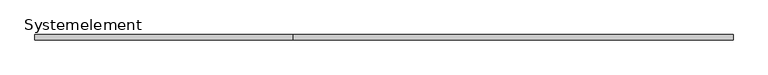
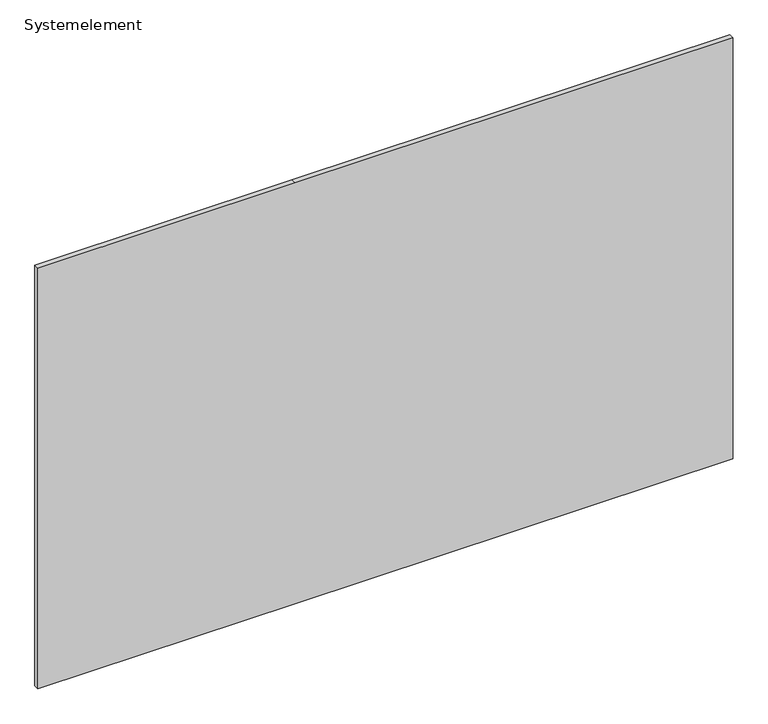
"""IFC4 building model written with IfcOpenShell, lengths in millimetres: plate geometry, Systemelement."""

from ifc_helpers import new_model, si_unit, frame, origin, place, context, project, spatial, polyline, outline, extrude, source, transform, mapped, element, save


def systemelement_0e79d8df(model_context):
    return source(origin(), model_context, "Body", "SweptSolid", [
        extrude(outline(polyline([(0.0, -675.0), (0.0, -175.0), (0.0, 675.0), (864.0, 675.0), (864.0, -175.0), (864.0, -675.0), (0.0, -675.0)])), frame((0.0, 0.0, 0.0), z_axis=(0.0, 1.0, 0.0), x_axis=(0.0, 0.0, 1.0)), (0.0, 0.0, 1.0), 10.0),
    ])


if __name__ == "__main__":
    model = new_model("IFC4")
    model_context = context("Model", 3, world=origin())
    ifc_project = project(units=[si_unit("LENGTHUNIT", "METRE", prefix="MILLI")], contexts=[model_context])
    site = spatial("IfcSite", under=ifc_project)
    building = spatial("IfcBuilding", under=site)
    placement = place(None, origin())
    systemelement_shape = systemelement_0e79d8df(model_context)
    element("IfcPlate", 1, ObjectType="Systemelement", at=placement, inside=building, context=model_context, shape_type="MappedRepresentation", body=[
        mapped(systemelement_shape, transform((0.0, 0.0, 0.0), x_axis=(1.0, 0.0, 0.0), y_axis=(0.0, 1.0, 0.0), z_axis=(0.0, 0.0, 1.0))),
    ])
    save(model, "model.ifc")
